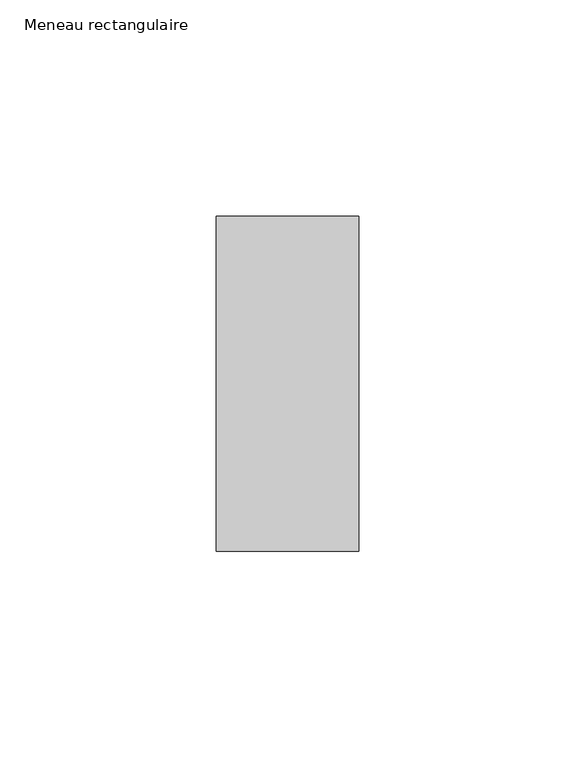
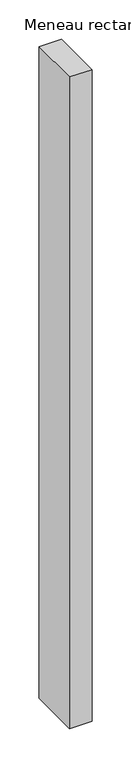
"""IFC4 building model written with IfcOpenShell, lengths in millimetres: member geometry, Meneau rectangulaire."""

from ifc_helpers import new_model, si_unit, frame, origin, place, context, project, spatial, polyline, outline, extrude, source, transform, mapped, element, save


def meneau_rectangulaire_5ca528d2(model_context):
    return source(origin(), model_context, "Body", "SweptSolid", [
        extrude(outline(polyline([(0.0, 38.75), (0.0, -38.75), (-33.0, -38.75), (-33.0, 38.75), (0.0, 38.75)])), frame((0.0, 0.0, -1013.1330689), z_axis=(0.0, 0.0, 1.0), x_axis=(1.0, 0.0, 0.0)), (0.0, 0.0, 1.0), 1013.1330689),
    ])


if __name__ == "__main__":
    model = new_model("IFC4")
    model_context = context("Model", 3, world=origin())
    ifc_project = project(units=[si_unit("LENGTHUNIT", "METRE", prefix="MILLI")], contexts=[model_context])
    site = spatial("IfcSite", under=ifc_project)
    building = spatial("IfcBuilding", under=site)
    placement = place(None, origin())
    meneau_rectangulaire_shape = meneau_rectangulaire_5ca528d2(model_context)
    element("IfcMember", 1, ObjectType="Meneau rectangulaire", at=placement, inside=building, context=model_context, shape_type="MappedRepresentation", body=[
        mapped(meneau_rectangulaire_shape, transform((0.0, 0.0, 0.0), x_axis=(1.0, 0.0, 0.0), y_axis=(0.0, 1.0, 0.0), z_axis=(0.0, 0.0, 1.0))),
    ])
    save(model, "model.ifc")
